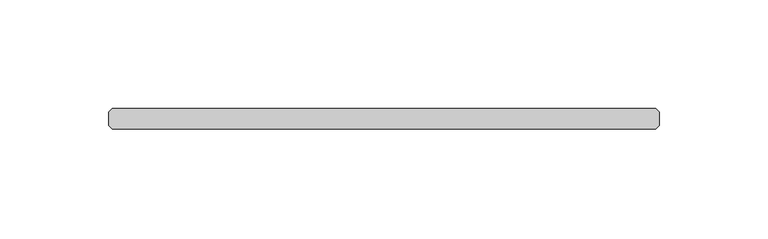
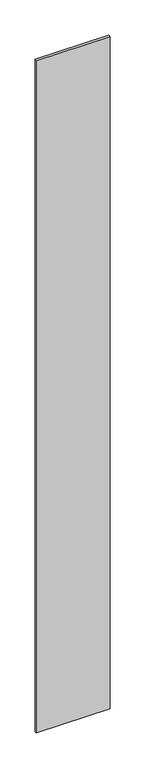
"""IFC4 building model written with IfcOpenShell, lengths in millimetres: plate geometry."""

from ifc_helpers import new_model, si_unit, origin, origin_with_axes, place, context, project, spatial, polyline, outline, extrude, source, transform, mapped, element, save


def plate_8622c1be(model_context):
    return source(origin(), model_context, "Body", "SweptSolid", [
        extrude(outline(polyline([(125.015625, 34.925), (126.603125, 33.3375), (126.603125, 26.9875), (125.015625, 25.4), (-125.015625, 25.4), (-126.603125, 26.9875), (-126.603125, 33.3375), (-125.015625, 34.925), (125.015625, 34.925)])), origin_with_axes(), (0.0, 0.0, 1.0), 2428.7789267),
    ])


if __name__ == "__main__":
    model = new_model("IFC4")
    model_context = context("Model", 3, world=origin())
    ifc_project = project(units=[si_unit("LENGTHUNIT", "METRE", prefix="MILLI")], contexts=[model_context])
    site = spatial("IfcSite", under=ifc_project)
    building = spatial("IfcBuilding", under=site)
    placement = place(None, origin())
    plate_shape = plate_8622c1be(model_context)
    element("IfcPlate", 1, at=placement, inside=building, context=model_context, shape_type="MappedRepresentation", body=[
        mapped(plate_shape, transform((0.0, 0.0, 0.0), x_axis=(1.0, 0.0, 0.0), y_axis=(0.0, 1.0, 0.0), z_axis=(0.0, 0.0, 1.0))),
    ])
    save(model, "model.ifc")
